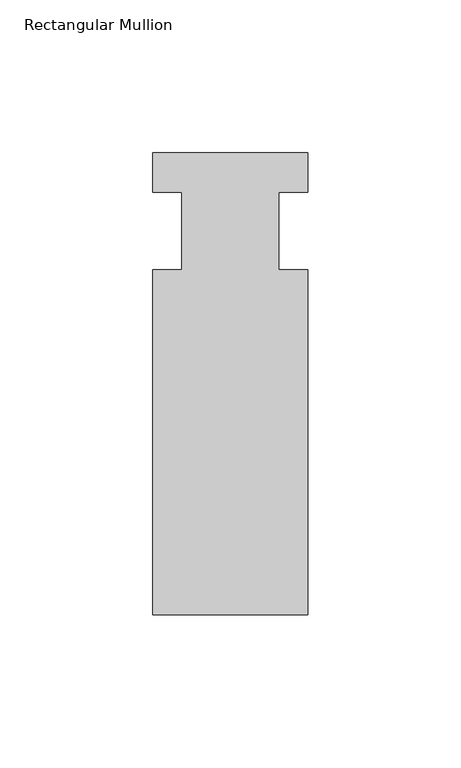
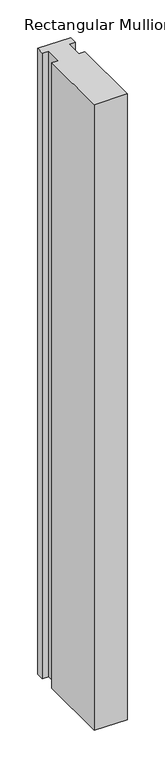
"""IFC4 building model written with IfcOpenShell, lengths in millimetres: member geometry, Rectangular Mullion."""

from ifc_helpers import new_model, si_unit, frame, origin, place, context, project, spatial, polyline, outline, extrude, source, transform, mapped, element, save


def rectangular_mullion_e6ce59ce(model_context):
    return source(origin(), model_context, "Body", "SweptSolid", [
        extrude(outline(polyline([(-25.4, 25.5984375), (25.4, 25.5984375), (25.4, 12.7), (15.875, 12.7), (15.875, -12.7), (25.4, -12.7), (25.4, -125.6109375), (-25.4, -125.6109375), (-25.4, -12.7), (-15.875, -12.7), (-15.875, 12.7), (-25.4, 12.7), (-25.4, 25.5984375)])), frame((0.0, 0.0, -1017.16492), z_axis=(0.0, 0.0, 1.0), x_axis=(1.0, 0.0, 0.0)), (0.0, 0.0, 1.0), 1017.16492),
    ])


if __name__ == "__main__":
    model = new_model("IFC4")
    model_context = context("Model", 3, world=origin())
    ifc_project = project(units=[si_unit("LENGTHUNIT", "METRE", prefix="MILLI")], contexts=[model_context])
    site = spatial("IfcSite", under=ifc_project)
    building = spatial("IfcBuilding", under=site)
    placement = place(None, origin())
    rectangular_mullion_shape = rectangular_mullion_e6ce59ce(model_context)
    element("IfcMember", 1, ObjectType="Rectangular Mullion", at=placement, inside=building, context=model_context, shape_type="MappedRepresentation", body=[
        mapped(rectangular_mullion_shape, transform((0.0, 0.0, 0.0), x_axis=(1.0, 0.0, 0.0), y_axis=(0.0, 1.0, 0.0), z_axis=(0.0, 0.0, 1.0))),
    ])
    save(model, "model.ifc")
